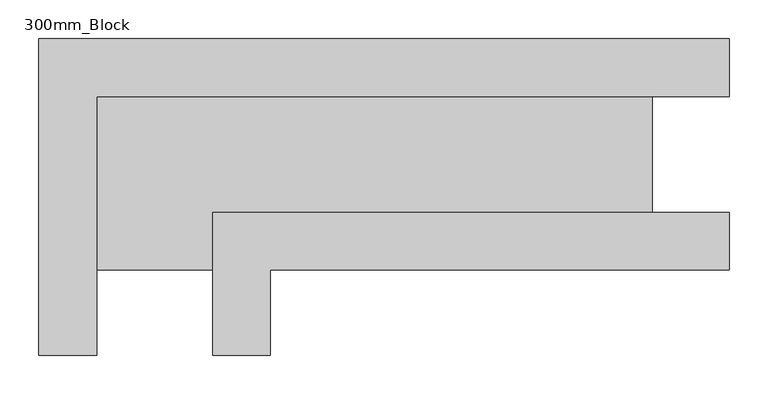
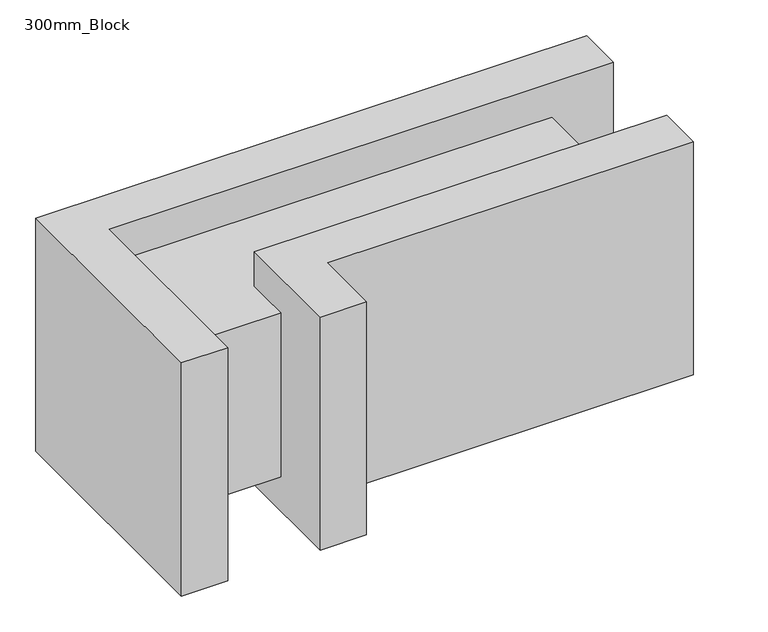
"""IFC4 building model written with IfcOpenShell, lengths in millimetres: plate geometry, 300mm_Block."""

from ifc_helpers import new_model, si_unit, frame, origin, origin_with_axes, place, context, project, spatial, polyline, outline, extrude, source, transform, mapped, element, save


def plate_300mm_block_611a6243(model_context):
    return source(origin(), model_context, "Body", "SweptSolid", [
        extrude(outline(polyline([(296.875, -150.0), (-296.875, -150.0), (-296.875, -260.0), (-371.875, -260.0), (-371.875, -75.0), (296.875, -75.0), (296.875, -150.0)])), origin_with_axes(), (0.0, 0.0, 1.0), 400.0),
        extrude(outline(polyline([(296.875, 75.0), (-521.875, 75.0), (-521.875, -260.0), (-596.875, -260.0), (-596.875, 150.0), (296.875, 150.0), (296.875, 75.0)])), origin_with_axes(), (0.0, 0.0, 1.0), 400.0),
        extrude(outline(polyline([(196.875, -75.0), (-371.875, -75.0), (-371.875, -150.0), (-521.875, -150.0), (-521.875, 75.0), (196.875, 75.0), (196.875, -75.0)])), frame((0.0, 0.0, 59.45), z_axis=(0.0, 0.0, 1.0), x_axis=(1.0, 0.0, 0.0)), (0.0, 0.0, 1.0), 281.1),
    ])


if __name__ == "__main__":
    model = new_model("IFC4")
    model_context = context("Model", 3, world=origin())
    ifc_project = project(units=[si_unit("LENGTHUNIT", "METRE", prefix="MILLI")], contexts=[model_context])
    site = spatial("IfcSite", under=ifc_project)
    building = spatial("IfcBuilding", under=site)
    placement = place(None, origin())
    plate_300mm_block_shape = plate_300mm_block_611a6243(model_context)
    element("IfcPlate", 1, ObjectType="300mm_Block", at=placement, inside=building, context=model_context, shape_type="MappedRepresentation", body=[
        mapped(plate_300mm_block_shape, transform((0.0, 0.0, 0.0), x_axis=(1.0, 0.0, 0.0), y_axis=(0.0, 1.0, 0.0), z_axis=(0.0, 0.0, 1.0))),
    ])
    save(model, "model.ifc")
